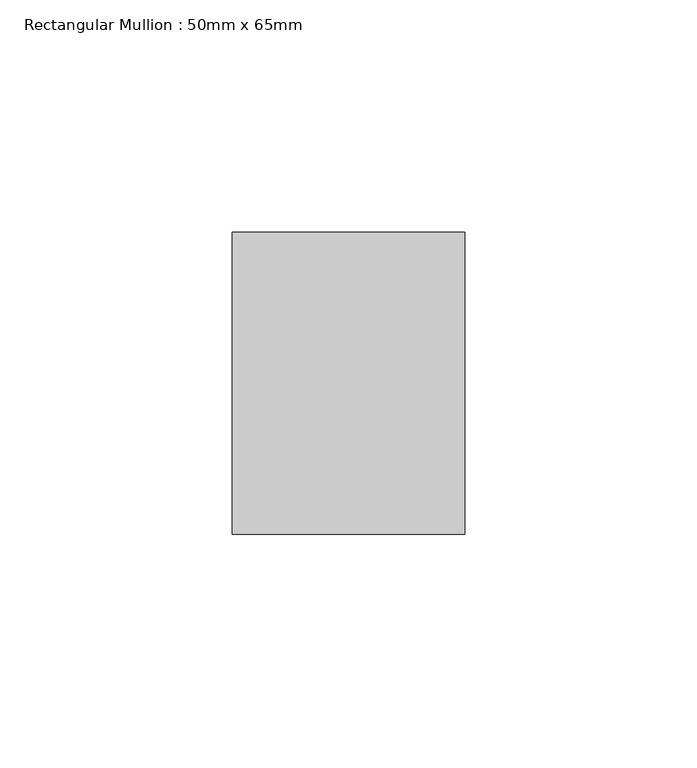
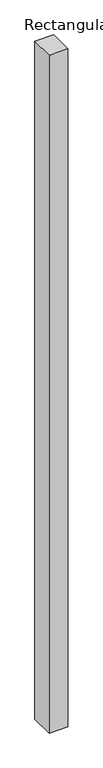
"""IFC4 building model written with IfcOpenShell, lengths in millimetres: member geometry, Rectangular Mullion : 50mm x 65mm."""

from ifc_helpers import new_model, si_unit, frame, origin, place, context, project, spatial, polyline, outline, extrude, source, transform, mapped, element, save


def rectangular_mullion_50mm_x_65mm_0dbdbb88(model_context):
    return source(origin(), model_context, "Body", "SweptSolid", [
        extrude(outline(polyline([(25.0, 32.5), (25.0, -32.5), (-25.0, -32.5), (-25.0, 32.5), (25.0, 32.5)])), frame((0.0, 0.0, -1897.7011898), z_axis=(0.0, 0.0, 1.0), x_axis=(1.0, 0.0, 0.0)), (0.0, 0.0, 1.0), 1897.7011898),
    ])


if __name__ == "__main__":
    model = new_model("IFC4")
    model_context = context("Model", 3, world=origin())
    ifc_project = project(units=[si_unit("LENGTHUNIT", "METRE", prefix="MILLI")], contexts=[model_context])
    site = spatial("IfcSite", under=ifc_project)
    building = spatial("IfcBuilding", under=site)
    placement = place(None, origin())
    rectangular_mullion_50mm_x_65mm_shape = rectangular_mullion_50mm_x_65mm_0dbdbb88(model_context)
    element("IfcMember", 1, ObjectType="Rectangular Mullion : 50mm x 65mm", at=placement, inside=building, context=model_context, shape_type="MappedRepresentation", body=[
        mapped(rectangular_mullion_50mm_x_65mm_shape, transform((0.0, 0.0, 0.0), x_axis=(1.0, 0.0, 0.0), y_axis=(0.0, 1.0, 0.0), z_axis=(0.0, 0.0, 1.0))),
    ])
    save(model, "model.ifc")
